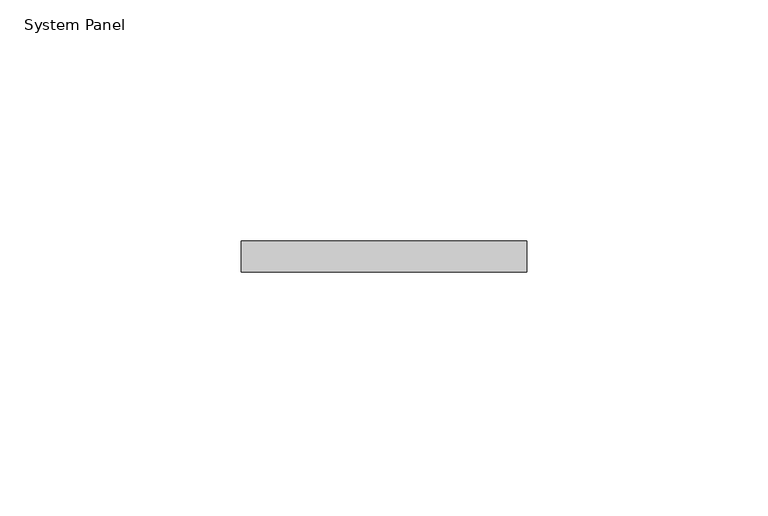
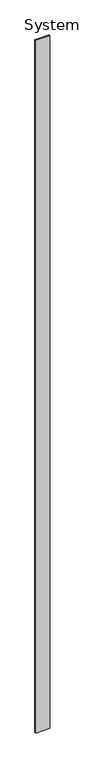
"""IFC4 building model written with IfcOpenShell, lengths in millimetres: plate geometry, System Panel."""

from ifc_helpers import new_model, si_unit, origin, origin_with_axes, place, context, project, spatial, polyline, outline, extrude, source, transform, mapped, element, save


def system_panel_2c661328(model_context):
    return source(origin(), model_context, "Body", "SweptSolid", [
        extrude(outline(polyline([(29.5229213, 0.0), (-29.5229213, 0.0), (-29.5229213, 6.35), (29.5229213, 6.35), (29.5229213, 0.0)])), origin_with_axes(), (0.0, 0.0, 1.0), 3048.0),
    ])


if __name__ == "__main__":
    model = new_model("IFC4")
    model_context = context("Model", 3, world=origin())
    ifc_project = project(units=[si_unit("LENGTHUNIT", "METRE", prefix="MILLI")], contexts=[model_context])
    site = spatial("IfcSite", under=ifc_project)
    building = spatial("IfcBuilding", under=site)
    placement = place(None, origin())
    system_panel_shape = system_panel_2c661328(model_context)
    element("IfcPlate", 1, ObjectType="System Panel", at=placement, inside=building, context=model_context, shape_type="MappedRepresentation", body=[
        mapped(system_panel_shape, transform((0.0, 0.0, 0.0), x_axis=(1.0, 0.0, 0.0), y_axis=(0.0, 1.0, 0.0), z_axis=(0.0, 0.0, 1.0))),
    ])
    save(model, "model.ifc")
